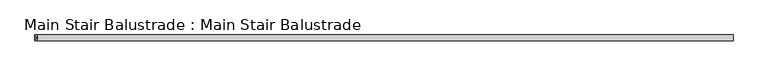
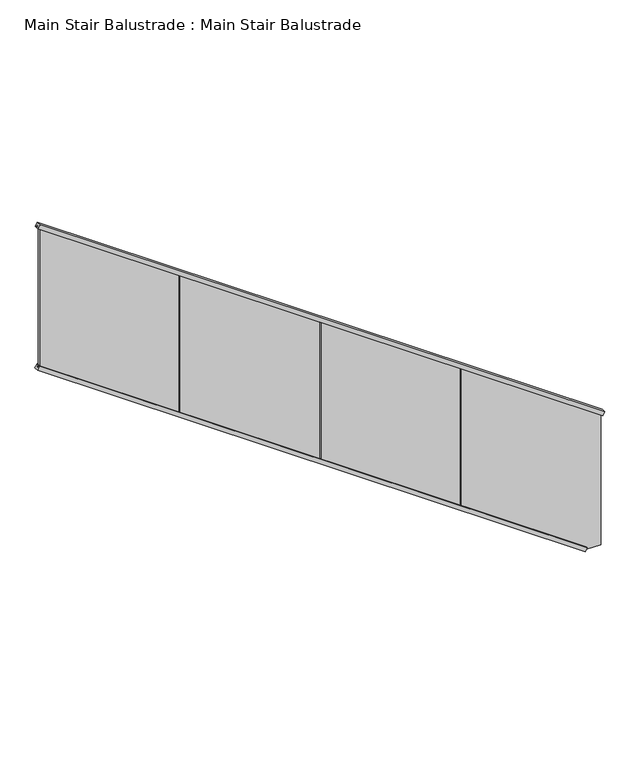
"""IFC4 building model written with IfcOpenShell, lengths in millimetres: railing geometry, Main Stair Balustrade : Main Stair Balustrade."""

from ifc_helpers import new_model, si_unit, frame, origin, place, context, project, spatial, polyline, outline, extrude, source, transform, mapped, element, save


def main_stair_balustrade_main_stair_balustrade_c0f1ee02(model_context):
    return source(origin(), model_context, "Body", "SweptSolid", [
        extrude(outline(polyline([(23.2764754, 0.0), (40.5021169, 0.0), (40.5021169, -10.0), (10.5021169, -10.0), (10.5021169, 25.0), (40.5021169, 25.0), (40.5021169, 15.0), (23.2764754, 15.0), (23.2764754, 0.0)])), frame((102791.4965058, -36510.9230841, 67994.8613674), z_axis=(-0.819252842688843, 0.0, 0.5734324543887012), x_axis=(0.5734324543887012, 0.0, 0.819252842688843)), (0.0, 0.0, 1.0), 4954.7046838),
        extrude(outline(polyline([(-15.0, 0.0), (0.0, 0.0), (0.0, 17.2256415), (10.0, 17.2256415), (10.0, -12.7743585), (-25.0, -12.7743585), (-25.0, 17.2256415), (-15.0, 17.2256415), (-15.0, 0.0)])), frame((102936.409525, -36495.9230841, 69036.1990006), z_axis=(-0.819252842688899, 0.0, 0.5734324543886213), x_axis=(0.0, 1.0, 0.0)), (0.0, 0.0, 1.0), 5111.2288324),
        extrude(outline(polyline([(68009.293103, 102811.4696253), (68009.293103, 102918.4896284), (69048.7419541, 102918.4896284), (69771.4956328, 101885.9041839), (68657.1385972, 101885.9041839), (68009.293103, 102811.4696253)])), frame((0.0, -36510.9230841, 0.0), z_axis=(0.0, 1.0, 0.0), x_axis=(0.0, 0.0, 1.0)), (0.0, 0.0, 1.0), 15.0),
        extrude(outline(polyline([(69778.4950892, 101875.9041839), (70501.2487678, 100843.3187394), (69386.8917323, 100843.3187394), (68664.1380536, 101875.9041839), (69778.4950892, 101875.9041839)])), frame((0.0, -36510.9230841, 0.0), z_axis=(0.0, 1.0, 0.0), x_axis=(0.0, 0.0, 1.0)), (0.0, 0.0, 1.0), 15.0),
        extrude(outline(polyline([(70508.2482242, 100833.3187394), (71231.0019029, 99800.7332949), (70116.6448673, 99800.7332949), (69393.8911887, 100833.3187394), (70508.2482242, 100833.3187394)])), frame((0.0, -36510.9230841, 0.0), z_axis=(0.0, 1.0, 0.0), x_axis=(0.0, 0.0, 1.0)), (0.0, 0.0, 1.0), 15.0),
        extrude(outline(polyline([(71238.0013593, 99790.7332949), (71960.7550379, 98758.1478504), (70846.3980024, 98758.1478504), (70123.6443237, 99790.7332949), (71238.0013593, 99790.7332949)])), frame((0.0, -36510.9230841, 0.0), z_axis=(0.0, 1.0, 0.0), x_axis=(0.0, 0.0, 1.0)), (0.0, 0.0, 1.0), 15.0),
    ])


if __name__ == "__main__":
    model = new_model("IFC4")
    model_context = context("Model", 3, world=origin())
    ifc_project = project(units=[si_unit("LENGTHUNIT", "METRE", prefix="MILLI")], contexts=[model_context])
    site = spatial("IfcSite", under=ifc_project)
    building = spatial("IfcBuilding", under=site)
    placement = place(None, origin())
    main_stair_balustrade_main_stair_balustrade_shape = main_stair_balustrade_main_stair_balustrade_c0f1ee02(model_context)
    element("IfcRailing", 1, ObjectType="Main Stair Balustrade : Main Stair Balustrade", at=placement, inside=building, context=model_context, shape_type="MappedRepresentation", body=[
        mapped(main_stair_balustrade_main_stair_balustrade_shape, transform((0.0, 0.0, 0.0), x_axis=(1.0, 0.0, 0.0), y_axis=(0.0, 1.0, 0.0), z_axis=(0.0, 0.0, 1.0))),
    ])
    save(model, "model.ifc")
